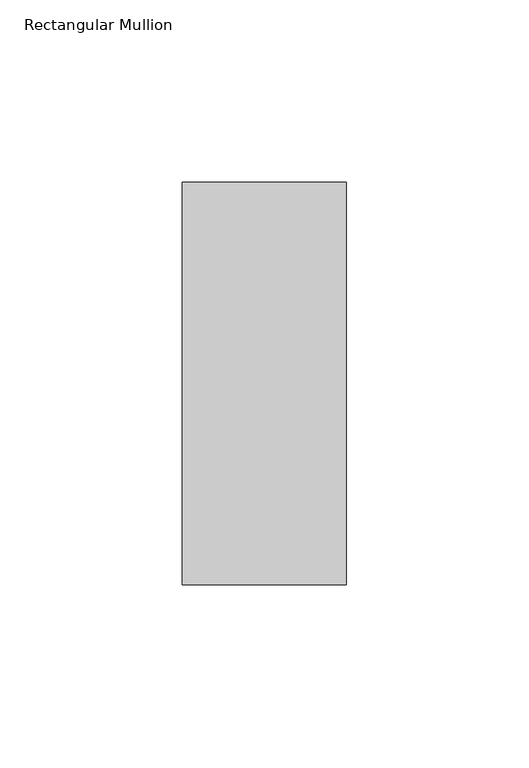
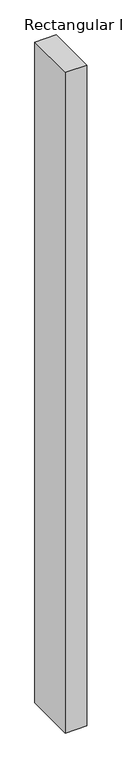
"""IFC4 building model written with IfcOpenShell, lengths in millimetres: member geometry, Rectangular Mullion."""

from ifc_helpers import new_model, si_unit, frame, origin, place, context, project, spatial, polyline, outline, extrude, source, transform, mapped, element, save


def rectangular_mullion_91e17116(model_context):
    return source(origin(), model_context, "Body", "SweptSolid", [
        extrude(outline(polyline([(0.0, 70.7), (0.0, -39.7), (-45.0, -39.7), (-45.0, 70.7), (0.0, 70.7)])), frame((0.0, 0.0, -1464.3589259), z_axis=(0.0, 0.0, 1.0), x_axis=(1.0, 0.0, 0.0)), (0.0, 0.0, 1.0), 1464.3589259),
    ])


if __name__ == "__main__":
    model = new_model("IFC4")
    model_context = context("Model", 3, world=origin())
    ifc_project = project(units=[si_unit("LENGTHUNIT", "METRE", prefix="MILLI")], contexts=[model_context])
    site = spatial("IfcSite", under=ifc_project)
    building = spatial("IfcBuilding", under=site)
    placement = place(None, origin())
    rectangular_mullion_shape = rectangular_mullion_91e17116(model_context)
    element("IfcMember", 1, ObjectType="Rectangular Mullion", at=placement, inside=building, context=model_context, shape_type="MappedRepresentation", body=[
        mapped(rectangular_mullion_shape, transform((0.0, 0.0, 0.0), x_axis=(1.0, 0.0, 0.0), y_axis=(0.0, 1.0, 0.0), z_axis=(0.0, 0.0, 1.0))),
    ])
    save(model, "model.ifc")
